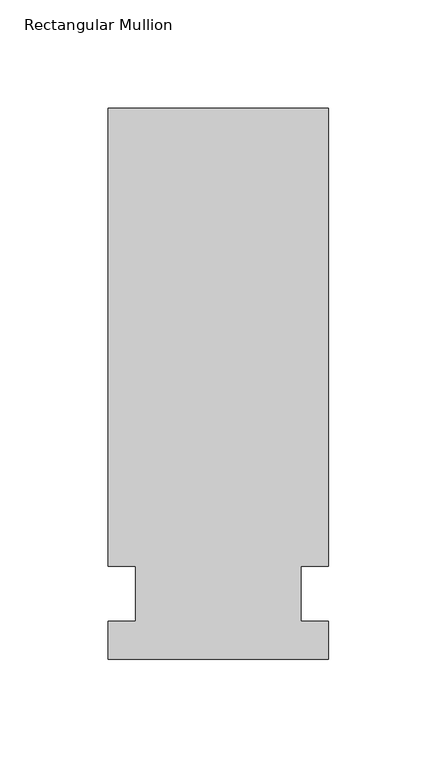
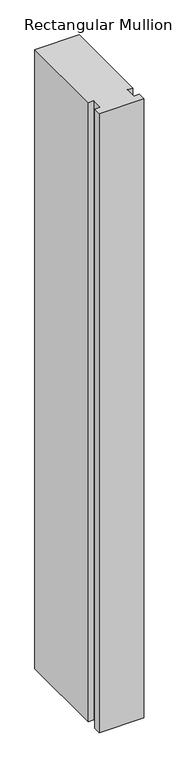
"""IFC4 building model written with IfcOpenShell, lengths in millimetres: member geometry, Rectangular Mullion."""

from ifc_helpers import new_model, si_unit, frame, origin, place, context, project, spatial, polyline, outline, extrude, source, transform, mapped, element, save


def rectangular_mullion_5b60c11f(model_context):
    return source(origin(), model_context, "Body", "SweptSolid", [
        extrude(outline(polyline([(55.1344027, 223.8375), (55.1344027, 12.7), (42.4326322, 12.7), (42.4326322, -12.7), (55.1344027, -12.7), (55.1344027, -30.1625), (-46.4655973, -30.1625), (-46.4655973, -12.7), (-33.7655973, -12.7), (-33.7655973, 12.7), (-46.4655973, 12.7), (-46.4655973, 223.8375), (55.1344027, 223.8375)])), frame((0.0, 0.0, -1493.52), z_axis=(0.0, 0.0, 1.0), x_axis=(1.0, 0.0, 0.0)), (0.0, 0.0, 1.0), 1493.52),
    ])


if __name__ == "__main__":
    model = new_model("IFC4")
    model_context = context("Model", 3, world=origin())
    ifc_project = project(units=[si_unit("LENGTHUNIT", "METRE", prefix="MILLI")], contexts=[model_context])
    site = spatial("IfcSite", under=ifc_project)
    building = spatial("IfcBuilding", under=site)
    placement = place(None, origin())
    rectangular_mullion_shape = rectangular_mullion_5b60c11f(model_context)
    element("IfcMember", 1, ObjectType="Rectangular Mullion", at=placement, inside=building, context=model_context, shape_type="MappedRepresentation", body=[
        mapped(rectangular_mullion_shape, transform((0.0, 0.0, 0.0), x_axis=(1.0, 0.0, 0.0), y_axis=(0.0, 1.0, 0.0), z_axis=(0.0, 0.0, 1.0))),
    ])
    save(model, "model.ifc")
